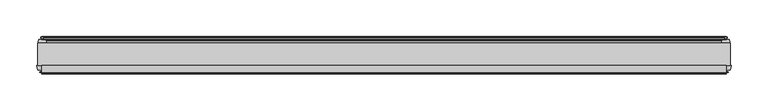
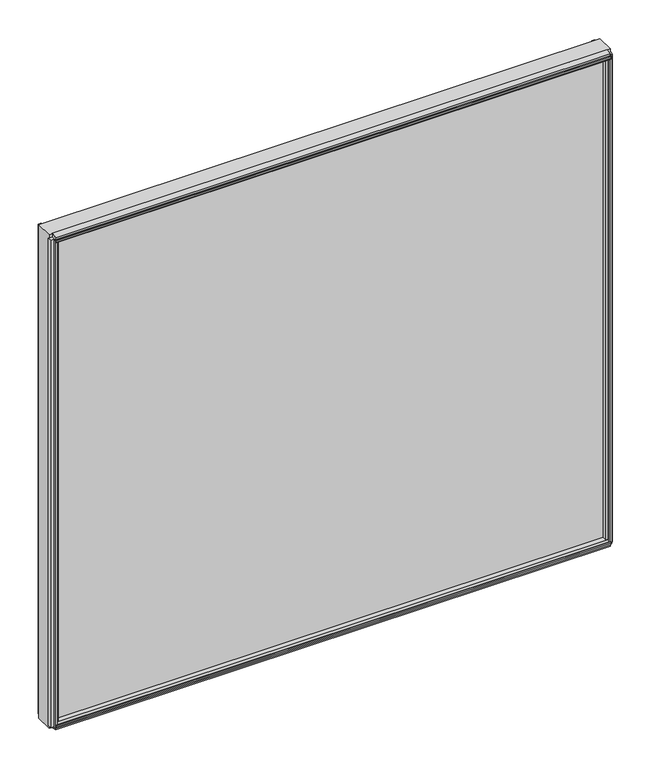
"""IFC4 building model written with IfcOpenShell, lengths in millimetres: plate geometry."""

from ifc_helpers import new_model, si_unit, frame, origin, place, context, project, spatial, polyline, outline, extrude, source, transform, mapped, element, save


def plate_cad05487(model_context):
    return source(origin(), model_context, "Body", "SweptSolid", [
        extrude(outline(polyline([(471.425, 0.0611188), (471.425, -30.0632812), (-471.425, -30.0632812), (-471.425, 0.0611188), (471.425, 0.0611188)])), frame((0.0, 0.0, 24.1101562), z_axis=(0.0, 0.0, 1.0), x_axis=(1.0, 0.0, 0.0)), (0.0, 0.0, 1.0), 876.166414),
        extrude(outline(polyline([(-30.0632812, 23.5182551), (-39.6736949, 25.3725532), (-38.5626883, 29.5188864), (-41.0629754, 30.6884606), (-41.2186445, 29.1261151), (-42.003749, 29.3364832), (-41.7914929, 31.6988428), (-40.7941323, 33.8508342), (-40.0090278, 33.6404661), (-40.6553872, 32.2096006), (-37.9052879, 31.972338), (-36.7942812, 36.1186712), (-30.0632812, 37.8878432), (-30.0632812, 23.5182551)])), frame((-465.86875, 0.0, 0.0), z_axis=(1.0, 0.0, 0.0), x_axis=(0.0, 1.0, 0.0)), (0.0, 0.0, 1.0), 931.7375),
        extrude(outline(polyline([(-30.0632812, 900.8684714), (-30.0632812, 886.4988833), (-36.7942812, 888.2680553), (-37.9052879, 892.4143885), (-40.6553872, 892.1771259), (-40.0090278, 890.7462604), (-40.7941323, 890.5358923), (-41.7914929, 892.6878837), (-42.003749, 895.0502433), (-41.2186445, 895.2606114), (-41.0629754, 893.6982659), (-38.5626883, 894.8678401), (-39.6736949, 899.0141733), (-30.0632812, 900.8684714)])), frame((-465.86875, 0.0, 0.0), z_axis=(1.0, 0.0, 0.0), x_axis=(0.0, 1.0, 0.0)), (0.0, 0.0, 1.0), 931.7375),
        extrude(outline(polyline([(5.2054238, 891.9847064), (5.3888718, 888.4843102), (8.1282045, 888.1446102), (7.7934632, 889.6785935), (8.6051493, 889.7211322), (9.133291, 887.408804), (8.8497466, 885.0539372), (8.0380606, 885.0113985), (8.2106231, 886.5719684), (5.5218051, 885.9477912), (5.7052531, 882.4473949), (4.4085966, 881.9110091), (0.0611188, 882.0868618), (0.0611188, 891.8273435), (3.8598029, 892.3826163), (5.2054238, 891.9847064)])), frame((-465.86875, 0.0, 0.0), z_axis=(1.0, 0.0, 0.0), x_axis=(0.0, 1.0, 0.0)), (0.0, 0.0, 1.0), 931.7375),
        extrude(outline(polyline([(466.6209429, -39.5092713), (468.1694246, -39.2497314), (468.1723316, -40.0625262), (465.837, -40.4772812), (463.4987614, -40.0792415), (463.4987614, -39.2664467), (465.046153, -39.5149036), (464.5538273, -36.7987999), (460.2752005, -36.7987999), (459.0819, -30.0632812), (472.5921, -30.0632812), (471.4031205, -36.7744101), (467.0964891, -36.7744101), (466.6209429, -39.5092713)])), frame((0.0, 0.0, 29.6664062), z_axis=(0.0, 0.0, 1.0), x_axis=(1.0, 0.0, 0.0)), (0.0, 0.0, 1.0), 865.053914),
        extrude(outline(polyline([(464.2910571, 7.5513088), (462.7425754, 7.2917689), (462.7396684, 8.1045637), (465.075, 8.5193188), (467.4132386, 8.121279), (467.4132386, 7.3084842), (465.865847, 7.5569411), (466.3581727, 4.8408374), (469.8491409, 4.8408374), (470.3779556, 2.5845617), (469.8448338, 0.0611188), (460.3051662, 0.0611188), (459.7720444, 2.5845617), (460.2998, 4.8363188), (463.8189662, 4.8363188), (464.2910571, 7.5513088)])), frame((0.0, 0.0, 29.6664062), z_axis=(0.0, 0.0, 1.0), x_axis=(1.0, 0.0, 0.0)), (0.0, 0.0, 1.0), 865.053914),
        extrude(outline(polyline([(-466.6209429, -39.5092713), (-467.0964891, -36.7744101), (-471.4031205, -36.7744101), (-472.5921, -30.0632812), (-459.0819, -30.0632812), (-460.2752005, -36.7987999), (-464.5538273, -36.7987999), (-465.046153, -39.5149036), (-463.4987614, -39.2664467), (-463.4987614, -40.0792415), (-465.837, -40.4772812), (-468.1723316, -40.0625262), (-468.1694246, -39.2497314), (-466.6209429, -39.5092713)])), frame((0.0, 0.0, 29.6664062), z_axis=(0.0, 0.0, 1.0), x_axis=(1.0, 0.0, 0.0)), (0.0, 0.0, 1.0), 865.053914),
        extrude(outline(polyline([(-464.2910571, 7.5513088), (-463.8189662, 4.8363188), (-460.2998, 4.8363188), (-459.7720444, 2.5845617), (-460.3051662, 0.0611188), (-469.8448338, 0.0611188), (-470.3779556, 2.5845617), (-469.8491409, 4.8408374), (-466.3581727, 4.8408374), (-465.865847, 7.5569411), (-467.4132386, 7.3084842), (-467.4132386, 8.121279), (-465.075, 8.5193188), (-462.7396684, 8.1045637), (-462.7425754, 7.2917689), (-464.2910571, 7.5513088)])), frame((0.0, 0.0, 29.6664062), z_axis=(0.0, 0.0, 1.0), x_axis=(1.0, 0.0, 0.0)), (0.0, 0.0, 1.0), 865.053914),
    ])


if __name__ == "__main__":
    model = new_model("IFC4")
    model_context = context("Model", 3, world=origin())
    ifc_project = project(units=[si_unit("LENGTHUNIT", "METRE", prefix="MILLI")], contexts=[model_context])
    site = spatial("IfcSite", under=ifc_project)
    building = spatial("IfcBuilding", under=site)
    placement = place(None, origin())
    plate_shape = plate_cad05487(model_context)
    element("IfcPlate", 1, at=placement, inside=building, context=model_context, shape_type="MappedRepresentation", body=[
        mapped(plate_shape, transform((0.0, 0.0, 0.0), x_axis=(1.0, 0.0, 0.0), y_axis=(0.0, 1.0, 0.0), z_axis=(0.0, 0.0, 1.0))),
    ])
    save(model, "model.ifc")
